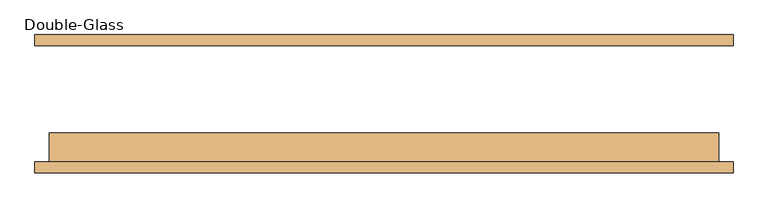
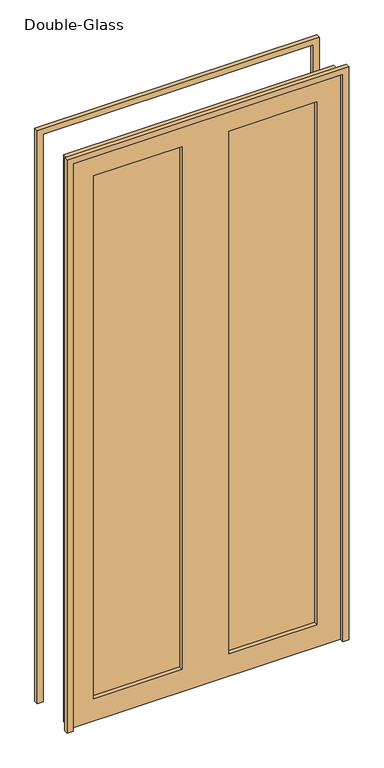
"""IFC4 building model written with IfcOpenShell, lengths in millimetres: door geometry, Double-Glass."""

from ifc_helpers import new_model, si_unit, frame, origin, place, context, project, spatial, polyline, outline, extrude, source, transform, mapped, element, save


def double_glass_378294fd(model_context):
    return source(origin(), model_context, "Body", "SweptSolid", [
        extrude(outline(polyline([(0.0, 609.6), (2616.2, 609.6), (2616.2, -609.6), (0.0, -609.6), (0.0, -584.2), (2590.8, -584.2), (2590.8, 584.2), (0.0, 584.2), (0.0, 609.6)])), frame((0.0, 99.21875, 0.0), z_axis=(0.0, 1.0, 0.0), x_axis=(0.0, 0.0, 1.0)), (0.0, 0.0, 1.0), 19.05),
        extrude(outline(polyline([(2590.8, 584.2), (0.0, 584.2), (0.0, 609.6), (2616.2, 609.6), (2616.2, -609.6), (0.0, -609.6), (0.0, -584.2), (2590.8, -584.2), (2590.8, 584.2)])), frame((0.0, -123.03125, 0.0), z_axis=(0.0, 1.0, 0.0), x_axis=(0.0, 0.0, 1.0)), (0.0, 0.0, 1.0), 19.05),
        extrude(outline(polyline([(482.6, -78.58125), (482.6, -85.725), (101.6, -85.725), (101.6, -78.58125), (482.6, -78.58125)])), frame((0.0, 0.0, 101.6), z_axis=(0.0, 0.0, 1.0), x_axis=(1.0, 0.0, 0.0)), (0.0, 0.0, 1.0), 2387.6),
        extrude(outline(polyline([(-101.6, -78.58125), (-101.6, -85.725), (-482.6, -85.725), (-482.6, -78.58125), (-101.6, -78.58125)])), frame((0.0, 0.0, 101.6), z_axis=(0.0, 0.0, 1.0), x_axis=(1.0, 0.0, 0.0)), (0.0, 0.0, 1.0), 2387.6),
        extrude(outline(polyline([(2590.8, 584.2), (2590.8, -584.2), (0.0, -584.2), (0.0, 584.2), (2590.8, 584.2)]), holes=[polyline([(2489.2, -101.6), (101.6, -101.6), (101.6, -482.6), (2489.2, -482.6), (2489.2, -101.6)]), polyline([(2489.2, 482.6), (101.6, 482.6), (101.6, 101.6), (2489.2, 101.6), (2489.2, 482.6)])]), frame((0.0, -103.98125, 0.0), z_axis=(0.0, 1.0, 0.0), x_axis=(0.0, 0.0, 1.0)), (0.0, 0.0, 1.0), 50.8),
    ])


if __name__ == "__main__":
    model = new_model("IFC4")
    model_context = context("Model", 3, world=origin())
    ifc_project = project(units=[si_unit("LENGTHUNIT", "METRE", prefix="MILLI")], contexts=[model_context])
    site = spatial("IfcSite", under=ifc_project)
    building = spatial("IfcBuilding", under=site)
    placement = place(None, origin())
    double_glass_shape = double_glass_378294fd(model_context)
    element("IfcDoor", 1, ObjectType="Double-Glass", at=placement, inside=building, context=model_context, shape_type="MappedRepresentation", body=[
        mapped(double_glass_shape, transform((0.0, 0.0, 0.0), x_axis=(1.0, 0.0, 0.0), y_axis=(0.0, 1.0, 0.0), z_axis=(0.0, 0.0, 1.0))),
    ])
    save(model, "model.ifc")
